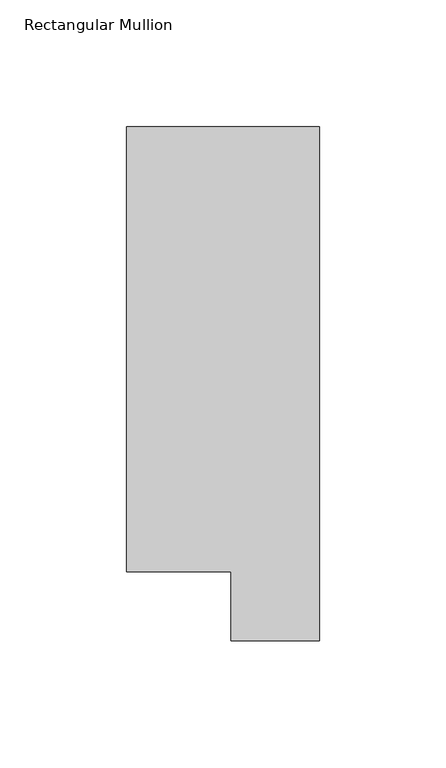
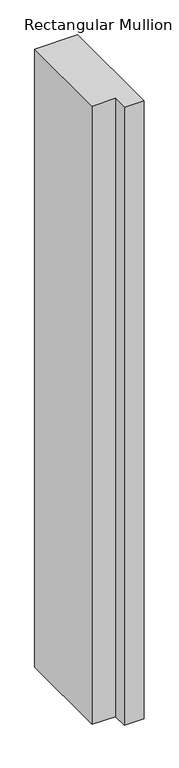
"""IFC4 building model written with IfcOpenShell, lengths in millimetres: member geometry, Rectangular Mullion."""

from ifc_helpers import new_model, si_unit, frame, origin, place, context, project, spatial, polyline, outline, extrude, source, transform, mapped, element, save


def rectangular_mullion_4d51e064(model_context):
    return source(origin(), model_context, "Body", "SweptSolid", [
        extrude(outline(polyline([(0.0, 222.5381312), (0.0, 19.5667312), (-34.9123, 19.5667312), (-34.9123, 46.7447302), (-76.2, 46.7447302), (-76.2, 222.5381312), (0.0, 222.5381312)])), frame((0.0, 0.0, -1155.6999996), z_axis=(0.0, 0.0, 1.0), x_axis=(1.0, 0.0, 0.0)), (0.0, 0.0, 1.0), 1155.6999996),
    ])


if __name__ == "__main__":
    model = new_model("IFC4")
    model_context = context("Model", 3, world=origin())
    ifc_project = project(units=[si_unit("LENGTHUNIT", "METRE", prefix="MILLI")], contexts=[model_context])
    site = spatial("IfcSite", under=ifc_project)
    building = spatial("IfcBuilding", under=site)
    placement = place(None, origin())
    rectangular_mullion_shape = rectangular_mullion_4d51e064(model_context)
    element("IfcMember", 1, ObjectType="Rectangular Mullion", at=placement, inside=building, context=model_context, shape_type="MappedRepresentation", body=[
        mapped(rectangular_mullion_shape, transform((0.0, 0.0, 0.0), x_axis=(1.0, 0.0, 0.0), y_axis=(0.0, 1.0, 0.0), z_axis=(0.0, 0.0, 1.0))),
    ])
    save(model, "model.ifc")
